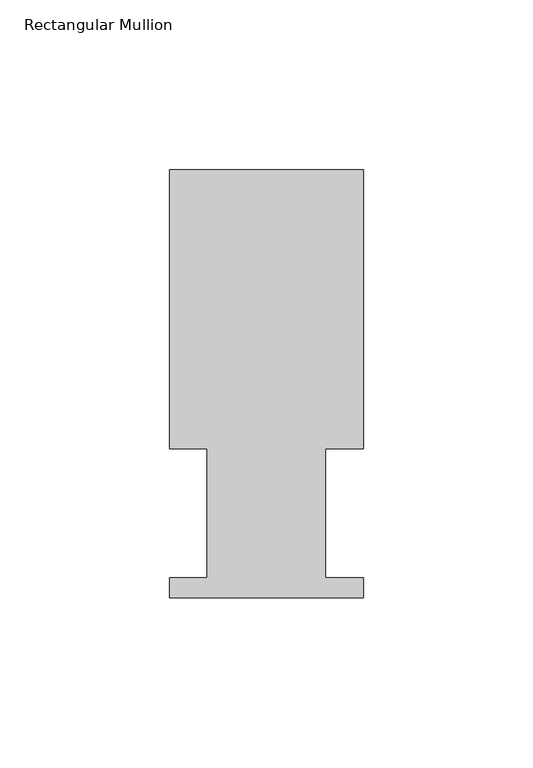
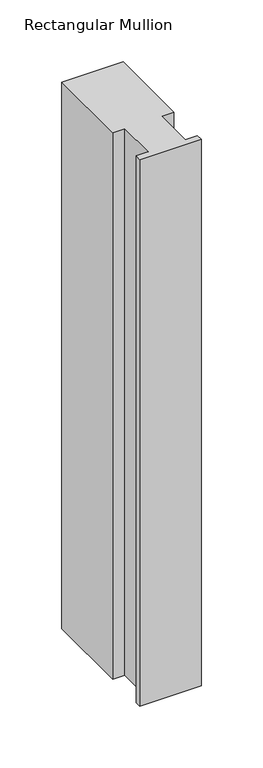
"""IFC4 building model written with IfcOpenShell, lengths in millimetres: member geometry, Rectangular Mullion."""

from ifc_helpers import new_model, si_unit, frame, origin, place, context, project, spatial, polyline, outline, extrude, source, transform, mapped, element, save


def rectangular_mullion_1aa3ec3c(model_context):
    return source(origin(), model_context, "Body", "SweptSolid", [
        extrude(outline(polyline([(0.0, 126.619), (0.0, 44.45), (-11.1120704, 44.45), (-11.1120704, 6.35), (0.0, 6.35), (0.0, 0.4064), (-57.15, 0.4064), (-57.15, 6.35), (-46.0370705, 6.35), (-46.0370705, 44.45), (-57.15, 44.45), (-57.15, 126.619), (0.0, 126.619)])), frame((0.0, 0.0, -539.75), z_axis=(0.0, 0.0, 1.0), x_axis=(1.0, 0.0, 0.0)), (0.0, 0.0, 1.0), 539.75),
    ])


if __name__ == "__main__":
    model = new_model("IFC4")
    model_context = context("Model", 3, world=origin())
    ifc_project = project(units=[si_unit("LENGTHUNIT", "METRE", prefix="MILLI")], contexts=[model_context])
    site = spatial("IfcSite", under=ifc_project)
    building = spatial("IfcBuilding", under=site)
    placement = place(None, origin())
    rectangular_mullion_shape = rectangular_mullion_1aa3ec3c(model_context)
    element("IfcMember", 1, ObjectType="Rectangular Mullion", at=placement, inside=building, context=model_context, shape_type="MappedRepresentation", body=[
        mapped(rectangular_mullion_shape, transform((0.0, 0.0, 0.0), x_axis=(1.0, 0.0, 0.0), y_axis=(0.0, 1.0, 0.0), z_axis=(0.0, 0.0, 1.0))),
    ])
    save(model, "model.ifc")
